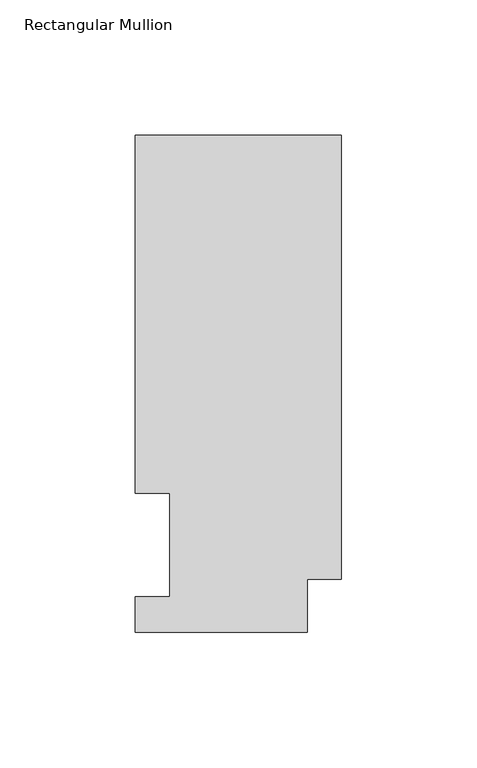
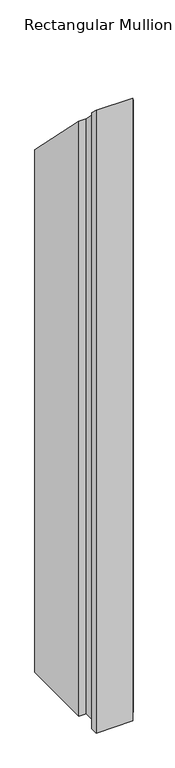
"""IFC4 building model written with IfcOpenShell, lengths in millimetres: member geometry, Rectangular Mullion."""

from ifc_helpers import new_model, si_unit, origin, place, context, project, spatial, faceted_brep, source, transform, mapped, element, save


def rectangular_mullion_f8c713b1(model_context):
    return source(origin(), model_context, "Body", "Brep", [
        faceted_brep([(0.0, 183.6554938, -1143.0134937), (0.0, 19.5460937, -1143.0134937), (-12.7, 19.5460937, -1143.0134937), (-12.7, 0.0134937, -1143.0134937), (-76.2000004, 0.0134937, -1143.0134937), (-76.2000004, 13.1960937, -1143.0134937), (-63.4943324, 13.1960937, -1143.0134937), (-63.4943324, 51.2960938, -1143.0134937), (-76.2000004, 51.2960938, -1143.0134937), (-76.2000004, 183.6554938, -1143.0134937), (0.0, 183.6554938, -183.6554938), (0.0, 19.5460937, -19.5460937), (-12.7, 19.5460937, -19.5460937), (-12.7, 0.0134937, -0.0134937), (-76.2000004, 0.0134937, -0.0134937), (-76.2000004, 13.1960937, -13.1960937), (-63.4943324, 13.1960937, -13.1960937), (-63.4943324, 51.2960938, -51.2960938), (-76.2000004, 51.2960938, -51.2960938), (-76.2000004, 183.6554938, -183.6554938)], [[[0, 1, 2, 3, 4, 5, 6, 7, 8, 9]], [[10, 11, 1, 0]], [[11, 12, 2, 1]], [[12, 13, 3, 2]], [[13, 14, 4, 3]], [[14, 15, 5, 4]], [[15, 16, 6, 5]], [[16, 17, 7, 6]], [[17, 18, 8, 7]], [[18, 19, 9, 8]], [[19, 10, 0, 9]], [[10, 19, 18, 17, 16, 15, 14, 13, 12, 11]]]),
    ])


if __name__ == "__main__":
    model = new_model("IFC4")
    model_context = context("Model", 3, world=origin())
    ifc_project = project(units=[si_unit("LENGTHUNIT", "METRE", prefix="MILLI")], contexts=[model_context])
    site = spatial("IfcSite", under=ifc_project)
    building = spatial("IfcBuilding", under=site)
    placement = place(None, origin())
    rectangular_mullion_shape = rectangular_mullion_f8c713b1(model_context)
    element("IfcMember", 1, ObjectType="Rectangular Mullion", at=placement, inside=building, context=model_context, shape_type="MappedRepresentation", body=[
        mapped(rectangular_mullion_shape, transform((0.0, 0.0, 0.0), x_axis=(1.0, 0.0, 0.0), y_axis=(0.0, 1.0, 0.0), z_axis=(0.0, 0.0, 1.0))),
    ])
    save(model, "model.ifc")
